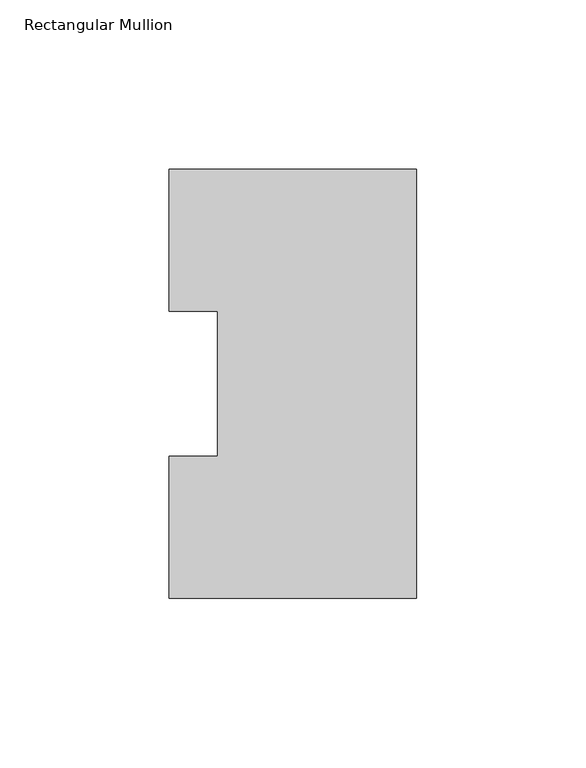
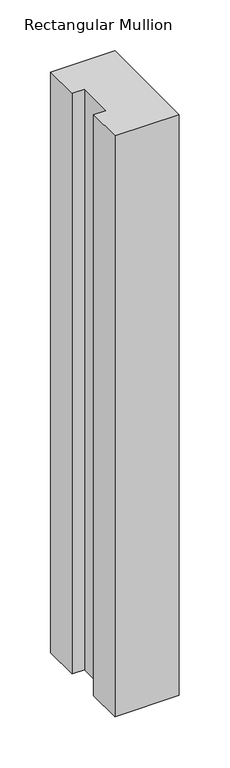
"""IFC4 building model written with IfcOpenShell, lengths in millimetres: member geometry, Rectangular Mullion."""

from ifc_helpers import new_model, si_unit, frame, origin, place, context, project, spatial, polyline, outline, extrude, source, transform, mapped, element, save


def rectangular_mullion_c4ed3aa1(model_context):
    return source(origin(), model_context, "Body", "SweptSolid", [
        extrude(outline(polyline([(0.0, 126.75235), (0.0, 0.26035), (-73.025, 0.26035), (-73.025, 42.08145), (-58.7375, 42.08145), (-58.7375, 84.93125), (-73.025, 84.93125), (-73.025, 126.75235), (0.0, 126.75235)])), frame((0.0, 0.0, -698.5864919), z_axis=(0.0, 0.0, 1.0), x_axis=(1.0, 0.0, 0.0)), (0.0, 0.0, 1.0), 698.5864919),
    ])


if __name__ == "__main__":
    model = new_model("IFC4")
    model_context = context("Model", 3, world=origin())
    ifc_project = project(units=[si_unit("LENGTHUNIT", "METRE", prefix="MILLI")], contexts=[model_context])
    site = spatial("IfcSite", under=ifc_project)
    building = spatial("IfcBuilding", under=site)
    placement = place(None, origin())
    rectangular_mullion_shape = rectangular_mullion_c4ed3aa1(model_context)
    element("IfcMember", 1, ObjectType="Rectangular Mullion", at=placement, inside=building, context=model_context, shape_type="MappedRepresentation", body=[
        mapped(rectangular_mullion_shape, transform((0.0, 0.0, 0.0), x_axis=(1.0, 0.0, 0.0), y_axis=(0.0, 1.0, 0.0), z_axis=(0.0, 0.0, 1.0))),
    ])
    save(model, "model.ifc")
